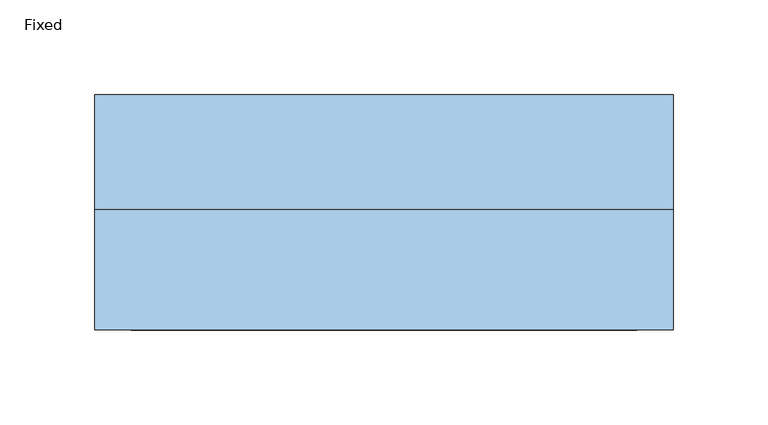
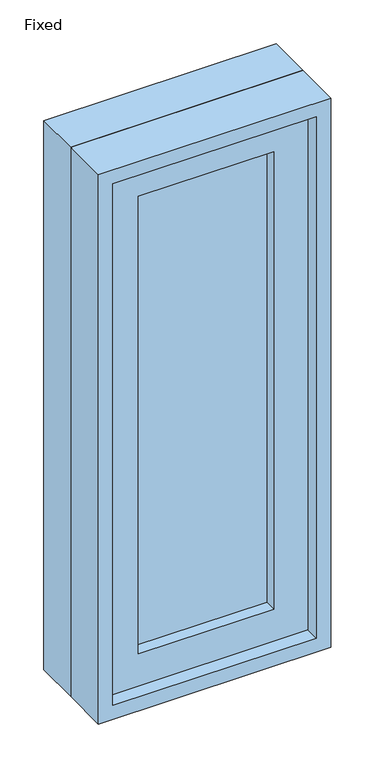
"""IFC4 building model written with IfcOpenShell, lengths in millimetres: window geometry, Fixed."""

from ifc_helpers import new_model, si_unit, frame, origin, place, context, project, spatial, polyline, outline, extrude, source, transform, mapped, element, save


def fixed_a48d7f88(model_context):
    return source(origin(), model_context, "Body", "SweptSolid", [
        extrude(outline(polyline([(50.8, -14.2875), (50.8, -26.9875), (-127.0, -26.9875), (-127.0, -14.2875), (50.8, -14.2875)])), frame((0.0, 0.0, 1130.3), z_axis=(0.0, 0.0, 1.0), x_axis=(1.0, 0.0, 0.0)), (0.0, 0.0, 1.0), 635.0),
        extrude(outline(polyline([(1809.75, -171.45), (1085.85, -171.45), (1085.85, 95.25), (1809.75, 95.25), (1809.75, -171.45)]), holes=[polyline([(1765.3, -127.0), (1765.3, 50.8), (1130.3, 50.8), (1130.3, -127.0), (1765.3, -127.0)])]), frame((0.0, -42.8625, 0.0), z_axis=(0.0, 1.0, 0.0), x_axis=(0.0, 0.0, 1.0)), (0.0, 0.0, 1.0), 44.45),
        extrude(outline(polyline([(1828.8, -190.5), (1066.8, -190.5), (1066.8, 114.3), (1828.8, 114.3), (1828.8, -190.5)]), holes=[polyline([(1797.05, -158.75), (1797.05, 82.55), (1098.55, 82.55), (1098.55, -158.75), (1797.05, -158.75)])]), frame((0.0, 1.5875, 0.0), z_axis=(0.0, 1.0, 0.0), x_axis=(0.0, 0.0, 1.0)), (0.0, 0.0, 1.0), 60.325),
        extrude(outline(polyline([(1828.8, 114.3), (1828.8, -190.5), (1066.8, -190.5), (1066.8, 114.3), (1828.8, 114.3)]), holes=[polyline([(1809.75, 95.25), (1085.85, 95.25), (1085.85, -171.45), (1809.75, -171.45), (1809.75, 95.25)])]), frame((0.0, -61.9125, 0.0), z_axis=(0.0, 1.0, 0.0), x_axis=(0.0, 0.0, 1.0)), (0.0, 0.0, 1.0), 63.5),
    ])


if __name__ == "__main__":
    model = new_model("IFC4")
    model_context = context("Model", 3, world=origin())
    ifc_project = project(units=[si_unit("LENGTHUNIT", "METRE", prefix="MILLI")], contexts=[model_context])
    site = spatial("IfcSite", under=ifc_project)
    building = spatial("IfcBuilding", under=site)
    placement = place(None, origin())
    fixed_shape = fixed_a48d7f88(model_context)
    element("IfcWindow", 1, ObjectType="Fixed", at=placement, inside=building, context=model_context, shape_type="MappedRepresentation", body=[
        mapped(fixed_shape, transform((0.0, 0.0, 0.0), x_axis=(1.0, 0.0, 0.0), y_axis=(0.0, 1.0, 0.0), z_axis=(0.0, 0.0, 1.0))),
    ])
    save(model, "model.ifc")
